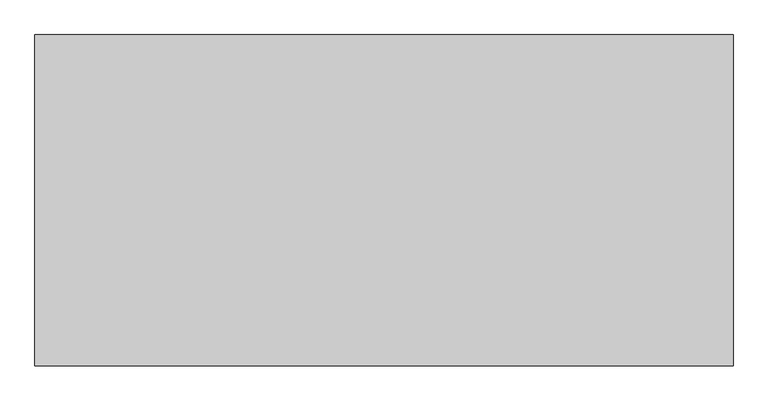
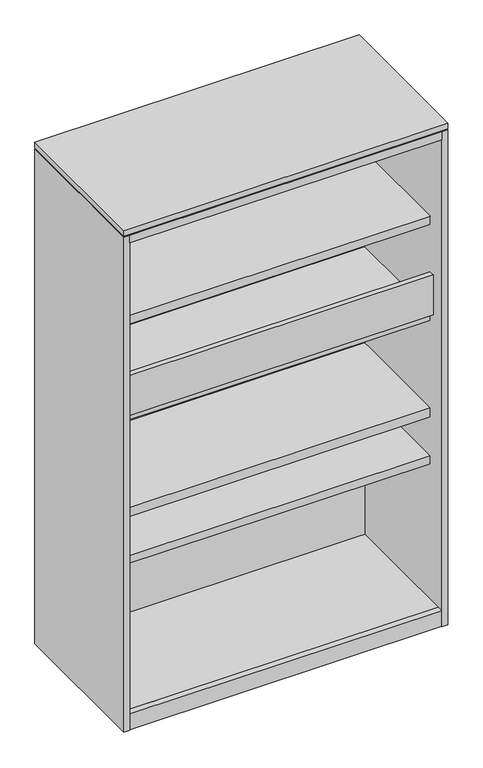
"""IFC4 building model written with IfcOpenShell, lengths in millimetres: furniture geometry."""

from ifc_helpers import new_model, si_unit, frame, origin, origin_with_axes, place, context, project, spatial, polyline, outline, extrude, source, transform, mapped, element, save


def furniture_bfbfc743(model_context):
    return source(origin(), model_context, "Body", "SweptSolid", [
        extrude(outline(polyline([(1043.61488, -455.62012), (20.01012, -455.62012), (20.01012, -438.26938), (1043.61488, -438.26938), (1043.61488, -455.62012)])), frame((0.0, 0.0, 1054.9636), z_axis=(0.0, 0.0, 1.0), x_axis=(1.0, 0.0, 0.0)), (0.0, 0.0, 1.0), 139.192),
        extrude(outline(polyline([(1043.61488, -66.55562), (20.01012, -66.55562), (20.01012, -49.20488), (1043.61488, -49.20488), (1043.61488, -66.55562)])), frame((0.0, 0.0, 1387.5512), z_axis=(0.0, 0.0, 1.0), x_axis=(1.0, 0.0, 0.0)), (0.0, 0.0, 1.0), 139.192),
        extrude(outline(polyline([(1043.61488, -438.26938), (20.01012, -438.26938), (20.01012, -66.55562), (1043.61488, -66.55562), (1043.61488, -438.26938)])), frame((0.0, 0.0, 1359.11336), z_axis=(0.0, 0.0, 1.0), x_axis=(1.0, 0.0, 0.0)), (0.0, 0.0, 1.0), 28.43784),
        extrude(outline(polyline([(1043.61488, -438.26938), (20.01012, -438.26938), (20.01012, -66.55562), (1043.61488, -66.55562), (1043.61488, -438.26938)])), frame((0.0, 0.0, 1026.52576), z_axis=(0.0, 0.0, 1.0), x_axis=(1.0, 0.0, 0.0)), (0.0, 0.0, 1.0), 28.43784),
        extrude(outline(polyline([(1043.61488, -66.55562), (20.01012, -66.55562), (20.01012, -49.20488), (1043.61488, -49.20488), (1043.61488, -66.55562)])), frame((0.0, 0.0, 58.7502), z_axis=(0.0, 0.0, 1.0), x_axis=(1.0, 0.0, 0.0)), (0.0, 0.0, 1.0), 467.89594),
        extrude(outline(polyline([(1043.61488, -438.26938), (20.01012, -438.26938), (20.01012, -66.55562), (1043.61488, -66.55562), (1043.61488, -438.26938)])), frame((0.0, 0.0, 529.16328), z_axis=(0.0, 0.0, 1.0), x_axis=(1.0, 0.0, 0.0)), (0.0, 0.0, 1.0), 26.92146),
        extrude(outline(polyline([(1043.61488, -438.26938), (20.01012, -438.26938), (20.01012, -66.55562), (1043.61488, -66.55562), (1043.61488, -438.26938)])), frame((0.0, 0.0, 690.7657), z_axis=(0.0, 0.0, 1.0), x_axis=(1.0, 0.0, 0.0)), (0.0, 0.0, 1.0), 31.6103),
        extrude(outline(polyline([(1043.61488, -66.55562), (20.01012, -66.55562), (20.01012, -49.20488), (1043.61488, -49.20488), (1043.61488, -66.55562)])), frame((0.0, 0.0, 722.376), z_axis=(0.0, 0.0, 1.0), x_axis=(1.0, 0.0, 0.0)), (0.0, 0.0, 1.0), 139.192),
        extrude(outline(polyline([(1043.61488, -504.825), (20.01012, -504.825), (20.01012, -2.54), (1043.61488, -2.54), (1043.61488, -504.825)])), frame((0.0, 0.0, 1693.2148), z_axis=(0.0, 0.0, 1.0), x_axis=(1.0, 0.0, 0.0)), (0.0, 0.0, 1.0), 26.924),
        extrude(outline(polyline([(1043.61488, -483.9335), (1043.61488, -503.2375), (20.01012, -503.2375), (20.01012, -483.9335), (1043.61488, -483.9335)])), frame((0.0, 0.0, 3.5814), z_axis=(0.0, 0.0, 1.0), x_axis=(1.0, 0.0, 0.0)), (0.0, 0.0, 1.0), 55.1688),
        extrude(outline(polyline([(44.5897, -26.1874), (60.2488, -35.2281856), (60.2488, -53.3097568), (44.5897, -62.3505424), (28.9306, -53.3097568), (28.9306, -35.2281856), (44.5897, -26.1874)])), origin_with_axes(), (0.0, 0.0, 1.0), 8.4328),
        extrude(outline(polyline([(44.5897, -478.6376), (28.9306, -469.5968144), (28.9306, -451.5152432), (44.5897, -442.4744576), (60.2488, -451.5152432), (60.2488, -469.5968144), (44.5897, -478.6376)])), origin_with_axes(), (0.0, 0.0, 1.0), 8.4328),
        extrude(outline(polyline([(1019.0353, -26.1874), (1034.6944, -35.2281856), (1034.6944, -53.3097568), (1019.0353, -62.3505424), (1003.3762, -53.3097568), (1003.3762, -35.2281856), (1019.0353, -26.1874)])), origin_with_axes(), (0.0, 0.0, 1.0), 8.4328),
        extrude(outline(polyline([(1019.0353, -478.6376), (1003.3762, -469.5968144), (1003.3762, -451.5152432), (1019.0353, -442.4744576), (1034.6944, -451.5152432), (1034.6944, -469.5968144), (1019.0353, -478.6376)])), origin_with_axes(), (0.0, 0.0, 1.0), 8.4328),
        extrude(outline(polyline([(1063.625, -504.825), (0.0, -504.825), (0.0, 0.0), (1063.625, 0.0), (1063.625, -504.825)])), frame((0.0, 0.0, 1723.6948), z_axis=(0.0, 0.0, 1.0), x_axis=(1.0, 0.0, 0.0)), (0.0, 0.0, 1.0), 19.304),
        extrude(outline(polyline([(1043.61488, 0.0), (1043.61488, -483.9335), (21.59762, -483.9335), (21.59762, 0.0), (1043.61488, 0.0)])), frame((0.0, 0.0, 3.5814), z_axis=(0.0, 0.0, 1.0), x_axis=(1.0, 0.0, 0.0)), (0.0, 0.0, 1.0), 55.1688),
        extrude(outline(polyline([(20.01012, -504.825), (0.0, -504.825), (0.0, 0.0), (20.01012, 0.0), (20.01012, -504.825)])), frame((0.0, 0.0, 3.5814), z_axis=(0.0, 0.0, 1.0), x_axis=(1.0, 0.0, 0.0)), (0.0, 0.0, 1.0), 1716.5574),
        extrude(outline(polyline([(1063.625, -504.825), (1043.61488, -504.825), (1043.61488, 0.0), (1063.625, 0.0), (1063.625, -504.825)])), frame((0.0, 0.0, 3.5814), z_axis=(0.0, 0.0, 1.0), x_axis=(1.0, 0.0, 0.0)), (0.0, 0.0, 1.0), 1716.5574),
    ])


if __name__ == "__main__":
    model = new_model("IFC4")
    model_context = context("Model", 3, world=origin())
    ifc_project = project(units=[si_unit("LENGTHUNIT", "METRE", prefix="MILLI")], contexts=[model_context])
    site = spatial("IfcSite", under=ifc_project)
    building = spatial("IfcBuilding", under=site)
    placement = place(None, origin())
    furniture_shape = furniture_bfbfc743(model_context)
    element("IfcFurniture", 1, at=placement, inside=building, context=model_context, shape_type="MappedRepresentation", body=[
        mapped(furniture_shape, transform((0.0, 0.0, 0.0), x_axis=(1.0, 0.0, 0.0), y_axis=(0.0, 1.0, 0.0), z_axis=(0.0, 0.0, 1.0))),
    ])
    save(model, "model.ifc")
